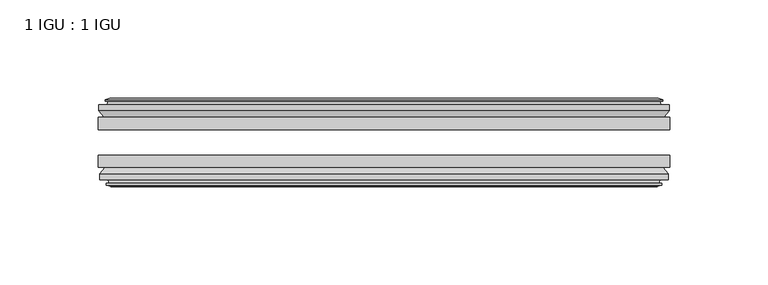
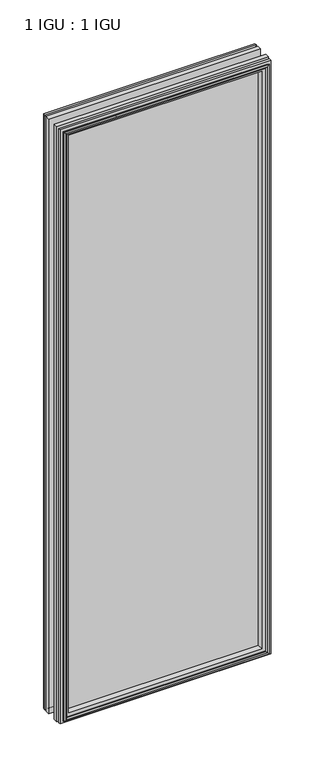
"""IFC4 building model written with IfcOpenShell, lengths in millimetres: plate geometry, 1 IGU : 1 IGU."""

from ifc_helpers import new_model, si_unit, frame, origin, place, context, project, spatial, polyline, outline, extrude, faceted_brep, source, transform, mapped, element, save


def plate_1_igu_1_igu_afea2c4a(model_context):
    return source(origin(), model_context, "Body", "SolidModel", [
        extrude(outline(polyline([(145.5801766, -25.8960937), (145.5801766, -32.2460938), (-145.5801766, -32.2460938), (-145.5801766, -25.8960937), (145.5801766, -25.8960937)])), frame((0.0, 0.0, -12.7), z_axis=(0.0, 0.0, 1.0), x_axis=(1.0, 0.0, 0.0)), (0.0, 0.0, 1.0), 863.6),
        extrude(outline(polyline([(-145.5801766, -51.2960938), (-145.5801766, -45.2686737), (145.5801766, -45.2686737), (145.5801766, -51.2960938), (-145.5801766, -51.2960938)])), frame((0.0, 0.0, -12.7), z_axis=(0.0, 0.0, 1.0), x_axis=(1.0, 0.0, 0.0)), (0.0, 0.0, 1.0), 863.6),
        faceted_brep([(-139.9921766, -60.0262907, 845.312), (-140.3731766, -57.6460937, 845.693), (-140.3731766, -57.6460937, -7.493), (-139.9921766, -60.0262907, -7.112), (-141.4077056, -59.5663575, 846.727529), (-141.4077056, -59.5663575, -8.5275291), (-141.4077056, -60.3675717, 846.727529), (-141.4077056, -60.3675717, -8.5275291), (-139.2301766, -61.0750937, 844.55), (-139.2301766, -61.0750937, -6.35), (-137.0526475, -60.3675717, 842.3724709), (-137.0526475, -60.3675717, -4.1724709), (-137.0526475, -59.5663575, 842.3724709), (-137.0526475, -59.5663575, -4.1724709), (-138.4681766, -60.0262907, 843.788), (-138.4681766, -60.0262907, -5.588), (-138.0871766, -57.6460937, 843.407), (-138.0871766, -57.6460937, -5.207), (-131.1624585, -51.2960937, 836.4822819), (-132.8801766, -57.6460937, 838.2), (-132.8801766, -57.6460937, 0.0), (-131.1624585, -51.2960937, 1.7177181), (-144.8181766, -54.6996937, 850.138), (-141.9838344, -51.2960937, 847.3036578), (-141.9838344, -51.2960937, -9.1036578), (-144.8181766, -54.6996937, -11.938), (-144.8181766, -57.6460937, 850.138), (-144.8181766, -57.6460937, -11.938), (140.3731766, -57.6460938, -7.493), (139.9921766, -60.0262907, -7.112), (141.4077056, -59.5663575, -8.5275291), (141.4077056, -60.3675717, -8.5275291), (139.2301766, -61.0750937, -6.35), (137.0526475, -60.3675717, -4.1724709), (137.0526475, -59.5663575, -4.1724709), (138.4681766, -60.0262907, -5.588), (138.0871766, -57.6460937, -5.207), (132.8801766, -57.6460937, 0.0), (131.1624585, -51.2960937, 1.7177181), (141.9838344, -51.2960937, -9.1036578), (144.8181766, -54.6996937, -11.938), (144.8181766, -57.6460938, -11.938), (140.3731766, -57.6460938, 845.693), (139.9921766, -60.0262907, 845.312), (141.4077056, -59.5663575, 846.727529), (141.4077056, -60.3675717, 846.727529), (139.2301766, -61.0750937, 844.55), (137.0526475, -60.3675717, 842.3724709), (137.0526475, -59.5663575, 842.3724709), (138.4681766, -60.0262907, 843.788), (138.0871766, -57.6460937, 843.407), (132.8801766, -57.6460937, 838.2), (131.1624585, -51.2960937, 836.4822819), (141.9838344, -51.2960937, 847.3036578), (144.8181766, -54.6996937, 850.138), (144.8181766, -57.6460938, 850.138)], [[[0, 1, 2, 3]], [[4, 0, 3, 5]], [[6, 4, 5, 7]], [[8, 6, 7, 9]], [[10, 8, 9, 11]], [[12, 10, 11, 13]], [[14, 12, 13, 15]], [[16, 14, 15, 17]], [[18, 19, 20, 21]], [[22, 23, 24, 25]], [[26, 22, 25, 27]], [[3, 2, 28, 29]], [[5, 3, 29, 30]], [[7, 5, 30, 31]], [[9, 7, 31, 32]], [[11, 9, 32, 33]], [[13, 11, 33, 34]], [[15, 13, 34, 35]], [[17, 15, 35, 36]], [[21, 20, 37, 38]], [[25, 24, 39, 40]], [[27, 25, 40, 41]], [[29, 28, 42, 43]], [[30, 29, 43, 44]], [[31, 30, 44, 45]], [[32, 31, 45, 46]], [[33, 32, 46, 47]], [[34, 33, 47, 48]], [[35, 34, 48, 49]], [[36, 35, 49, 50]], [[38, 37, 51, 52]], [[40, 39, 53, 54]], [[41, 40, 54, 55]], [[27, 41, 55, 26], [1, 42, 28, 2]], [[43, 42, 1, 0]], [[44, 43, 0, 4]], [[45, 44, 4, 6]], [[46, 45, 6, 8]], [[47, 46, 8, 10]], [[48, 47, 10, 12]], [[49, 48, 12, 14]], [[50, 49, 14, 16]], [[17, 36, 50, 16], [19, 51, 37, 20]], [[52, 51, 19, 18]], [[23, 53, 39, 24], [21, 38, 52, 18]], [[54, 53, 23, 22]], [[55, 54, 22, 26]]]),
        faceted_brep([(-142.5045344, -25.8960937, 847.8243578), (-145.3388766, -22.4924937, 850.6587), (-145.3388766, -22.4924937, -12.4587), (-142.5045344, -25.8960937, -9.6243578), (-133.4008766, -19.5460937, 838.7207), (-131.6831585, -25.8960937, 837.0029819), (-131.6831585, -25.8960937, 1.1970181), (-133.4008766, -19.5460937, -0.5207), (-138.9888766, -17.1658968, 844.3087), (-138.6078766, -19.5460937, 843.9277), (-138.6078766, -19.5460937, -5.7277), (-138.9888766, -17.1658968, -6.1087), (-137.5733475, -17.62583, 842.8931709), (-137.5733475, -17.62583, -4.6931709), (-137.5733475, -16.8246158, 842.8931709), (-137.5733475, -16.8246158, -4.6931709), (-139.7508766, -16.1170937, 845.0707), (-139.7508766, -16.1170937, -6.8707), (-141.9284056, -16.8246158, 847.248229), (-141.9284056, -16.8246158, -9.0482291), (-141.9284056, -17.62583, 847.248229), (-141.9284056, -17.62583, -9.0482291), (-140.5128766, -17.1658968, 845.8327), (-140.5128766, -17.1658968, -7.6327), (-140.8938766, -19.5460937, 846.2137), (-140.8938766, -19.5460937, -8.0137), (-145.3388766, -19.5460937, 850.6587), (-145.3388766, -19.5460937, -12.4587), (145.3388766, -22.4924937, -12.4587), (142.5045344, -25.8960937, -9.6243578), (131.6831585, -25.8960937, 1.1970181), (133.4008766, -19.5460937, -0.5207), (138.6078766, -19.5460937, -5.7277), (138.9888766, -17.1658968, -6.1087), (137.5733475, -17.62583, -4.6931709), (137.5733475, -16.8246158, -4.6931709), (139.7508766, -16.1170937, -6.8707), (141.9284056, -16.8246158, -9.0482291), (141.9284056, -17.62583, -9.0482291), (140.5128766, -17.1658968, -7.6327), (140.8938766, -19.5460937, -8.0137), (145.3388766, -19.5460937, -12.4587), (145.3388766, -22.4924937, 850.6587), (142.5045344, -25.8960937, 847.8243578), (131.6831585, -25.8960937, 837.0029819), (133.4008766, -19.5460937, 838.7207), (138.6078766, -19.5460937, 843.9277), (138.9888766, -17.1658968, 844.3087), (137.5733475, -17.62583, 842.8931709), (137.5733475, -16.8246158, 842.8931709), (139.7508766, -16.1170937, 845.0707), (141.9284056, -16.8246158, 847.248229), (141.9284056, -17.62583, 847.248229), (140.5128766, -17.1658968, 845.8327), (140.8938766, -19.5460937, 846.2137), (145.3388766, -19.5460937, 850.6587)], [[[0, 1, 2, 3]], [[4, 5, 6, 7]], [[8, 9, 10, 11]], [[12, 8, 11, 13]], [[14, 12, 13, 15]], [[16, 14, 15, 17]], [[18, 16, 17, 19]], [[20, 18, 19, 21]], [[22, 20, 21, 23]], [[24, 22, 23, 25]], [[1, 26, 27, 2]], [[3, 2, 28, 29]], [[7, 6, 30, 31]], [[11, 10, 32, 33]], [[13, 11, 33, 34]], [[15, 13, 34, 35]], [[17, 15, 35, 36]], [[19, 17, 36, 37]], [[21, 19, 37, 38]], [[23, 21, 38, 39]], [[25, 23, 39, 40]], [[2, 27, 41, 28]], [[29, 28, 42, 43]], [[31, 30, 44, 45]], [[33, 32, 46, 47]], [[34, 33, 47, 48]], [[35, 34, 48, 49]], [[36, 35, 49, 50]], [[37, 36, 50, 51]], [[38, 37, 51, 52]], [[39, 38, 52, 53]], [[40, 39, 53, 54]], [[28, 41, 55, 42]], [[43, 42, 1, 0]], [[3, 29, 43, 0], [5, 44, 30, 6]], [[45, 44, 5, 4]], [[9, 46, 32, 10], [7, 31, 45, 4]], [[47, 46, 9, 8]], [[48, 47, 8, 12]], [[49, 48, 12, 14]], [[50, 49, 14, 16]], [[51, 50, 16, 18]], [[52, 51, 18, 20]], [[53, 52, 20, 22]], [[54, 53, 22, 24]], [[26, 55, 41, 27], [25, 40, 54, 24]], [[42, 55, 26, 1]]]),
    ])


if __name__ == "__main__":
    model = new_model("IFC4")
    model_context = context("Model", 3, world=origin())
    ifc_project = project(units=[si_unit("LENGTHUNIT", "METRE", prefix="MILLI")], contexts=[model_context])
    site = spatial("IfcSite", under=ifc_project)
    building = spatial("IfcBuilding", under=site)
    placement = place(None, origin())
    plate_1_igu_1_igu_shape = plate_1_igu_1_igu_afea2c4a(model_context)
    element("IfcPlate", 1, ObjectType="1 IGU : 1 IGU", at=placement, inside=building, context=model_context, shape_type="MappedRepresentation", body=[
        mapped(plate_1_igu_1_igu_shape, transform((0.0, 0.0, 0.0), x_axis=(1.0, 0.0, 0.0), y_axis=(0.0, 1.0, 0.0), z_axis=(0.0, 0.0, 1.0))),
    ])
    save(model, "model.ifc")
